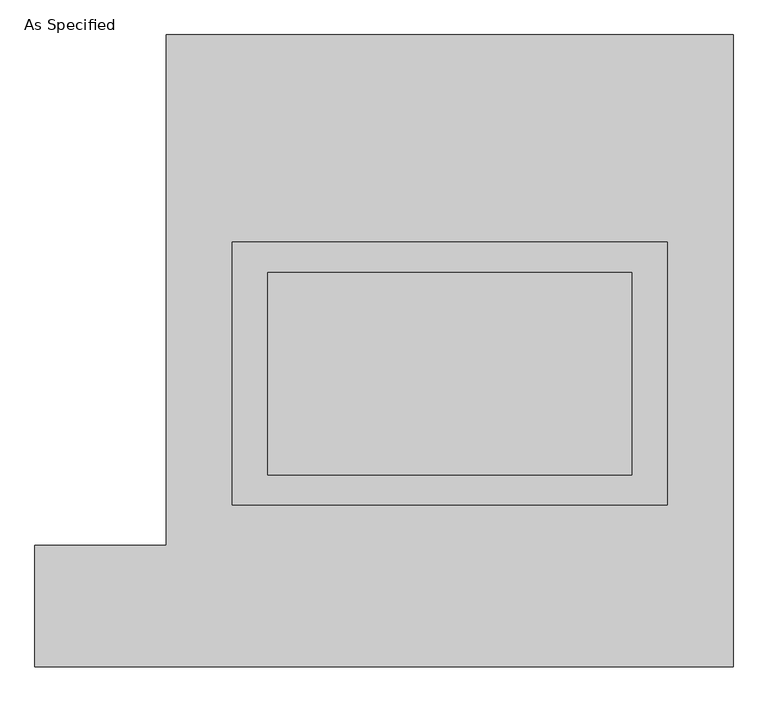
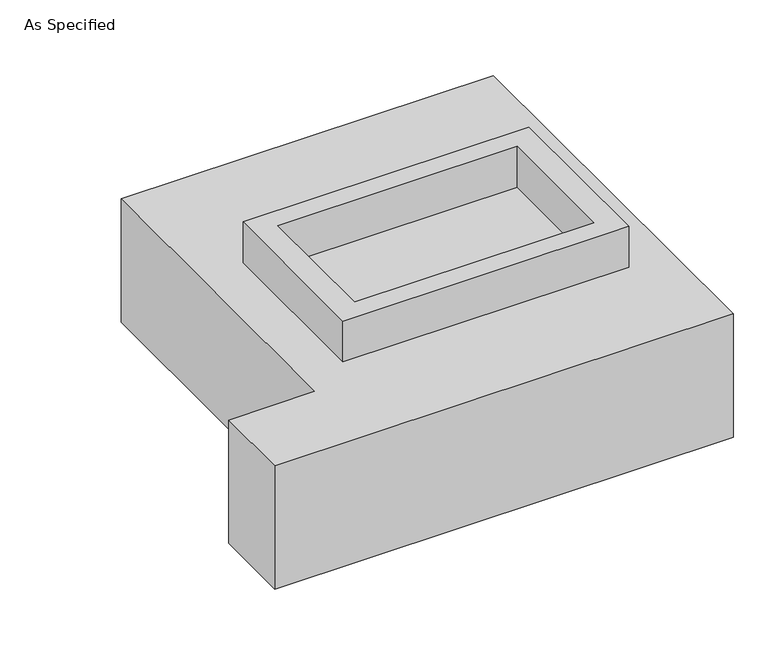
"""IFC4 building model written with IfcOpenShell, lengths in millimetres: proxy geometry, As Specified."""

from ifc_helpers import new_model, si_unit, frame, origin, place, context, project, spatial, polyline, outline, extrude, source, transform, mapped, element, save


def as_specified_abf053c0(model_context):
    return source(origin(), model_context, "Body", "SweptSolid", [
        extrude(outline(polyline([(546.1, 273.05), (546.1, -387.35), (-546.1, -387.35), (-546.1, 273.05), (546.1, 273.05)]), holes=[polyline([(457.2, 196.85), (-457.2, 196.85), (-457.2, -311.15), (457.2, -311.15), (457.2, 196.85)])]), frame((0.0, 0.0, -688.975), z_axis=(0.0, 0.0, 1.0), x_axis=(1.0, 0.0, 0.0)), (0.0, 0.0, 1.0), 165.1),
        extrude(outline(polyline([(546.1, 273.05), (546.1, -387.35), (-546.1, -387.35), (-546.1, 273.05), (546.1, 273.05)]), holes=[polyline([(457.2, 196.85), (-457.2, 196.85), (-457.2, -311.15), (457.2, -311.15), (457.2, 196.85)])]), frame((0.0, 0.0, -25.4), z_axis=(0.0, 0.0, 1.0), x_axis=(1.0, 0.0, 0.0)), (0.0, 0.0, 1.0), 165.1),
        extrude(outline(polyline([(457.2, 196.85), (457.2, -311.15), (-457.2, -311.15), (-457.2, 196.85), (457.2, 196.85)])), frame((0.0, 0.0, -523.875), z_axis=(0.0, 0.0, 1.0), x_axis=(1.0, 0.0, 0.0)), (0.0, 0.0, 1.0), 4.9609375),
        extrude(outline(polyline([(457.2, 196.85), (457.2, -311.15), (-457.2, -311.15), (-457.2, 196.85), (457.2, 196.85)])), frame((0.0, 0.0, -30.3609375), z_axis=(0.0, 0.0, 1.0), x_axis=(1.0, 0.0, 0.0)), (0.0, 0.0, 1.0), 4.9609375),
        extrude(outline(polyline([(-711.2, 793.75), (711.2, 793.75), (711.2, -793.75), (-1041.4, -793.75), (-1041.4, -488.95), (-711.2, -488.95), (-711.2, 793.75)]), holes=[polyline([(-546.1, 273.05), (-546.1, -387.35), (546.1, -387.35), (546.1, 273.05), (-546.1, 273.05)])]), frame((0.0, 0.0, -523.875), z_axis=(0.0, 0.0, 1.0), x_axis=(1.0, 0.0, 0.0)), (0.0, 0.0, 1.0), 498.475),
    ])


if __name__ == "__main__":
    model = new_model("IFC4")
    model_context = context("Model", 3, world=origin())
    ifc_project = project(units=[si_unit("LENGTHUNIT", "METRE", prefix="MILLI")], contexts=[model_context])
    site = spatial("IfcSite", under=ifc_project)
    building = spatial("IfcBuilding", under=site)
    placement = place(None, origin())
    as_specified_shape = as_specified_abf053c0(model_context)
    element("IfcBuildingElementProxy", 1, Name="As Specified", ObjectType="As Specified", at=placement, inside=building, context=model_context, shape_type="MappedRepresentation", body=[
        mapped(as_specified_shape, transform((0.0, 0.0, 0.0), x_axis=(1.0, 0.0, 0.0), y_axis=(0.0, 1.0, 0.0), z_axis=(0.0, 0.0, 1.0))),
    ])
    save(model, "model.ifc")
